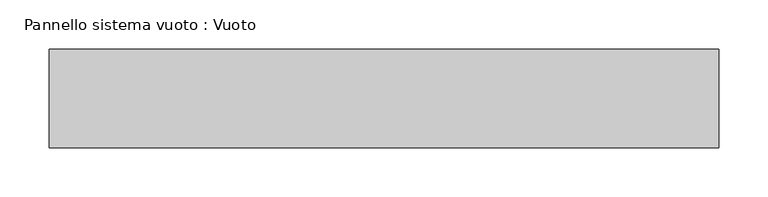
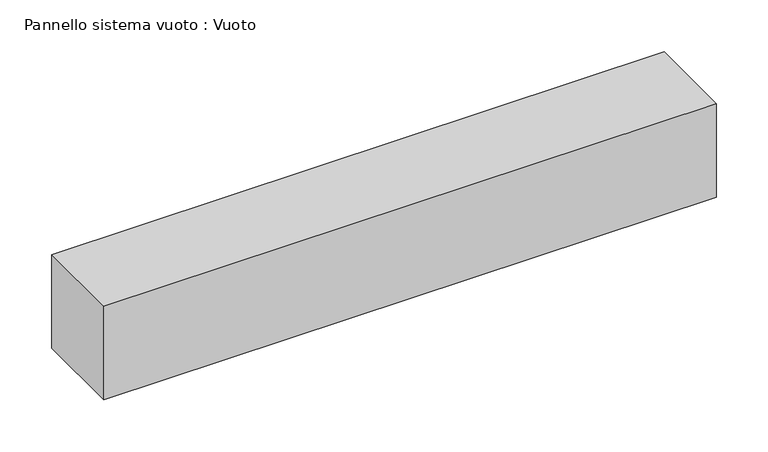
"""IFC4 building model written with IfcOpenShell, lengths in millimetres: plate geometry, Pannello sistema vuoto : Vuoto."""

from ifc_helpers import new_model, si_unit, origin, origin_with_axes, place, context, project, spatial, polyline, outline, extrude, source, transform, mapped, element, save


def pannello_sistema_vuoto_vuoto_f92d3f6e(model_context):
    return source(origin(), model_context, "Body", "SweptSolid", [
        extrude(outline(polyline([(340.0, 50.0), (-340.0, 50.0), (-340.0, 150.0), (340.0, 150.0), (340.0, 50.0)])), origin_with_axes(), (0.0, 0.0, 1.0), 110.0),
    ])


if __name__ == "__main__":
    model = new_model("IFC4")
    model_context = context("Model", 3, world=origin())
    ifc_project = project(units=[si_unit("LENGTHUNIT", "METRE", prefix="MILLI")], contexts=[model_context])
    site = spatial("IfcSite", under=ifc_project)
    building = spatial("IfcBuilding", under=site)
    placement = place(None, origin())
    pannello_sistema_vuoto_vuoto_shape = pannello_sistema_vuoto_vuoto_f92d3f6e(model_context)
    element("IfcPlate", 1, ObjectType="Pannello sistema vuoto : Vuoto", at=placement, inside=building, context=model_context, shape_type="MappedRepresentation", body=[
        mapped(pannello_sistema_vuoto_vuoto_shape, transform((0.0, 0.0, 0.0), x_axis=(1.0, 0.0, 0.0), y_axis=(0.0, 1.0, 0.0), z_axis=(0.0, 0.0, 1.0))),
    ])
    save(model, "model.ifc")
